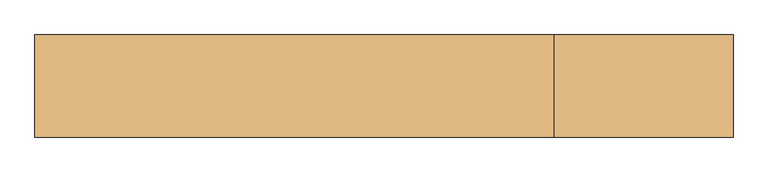
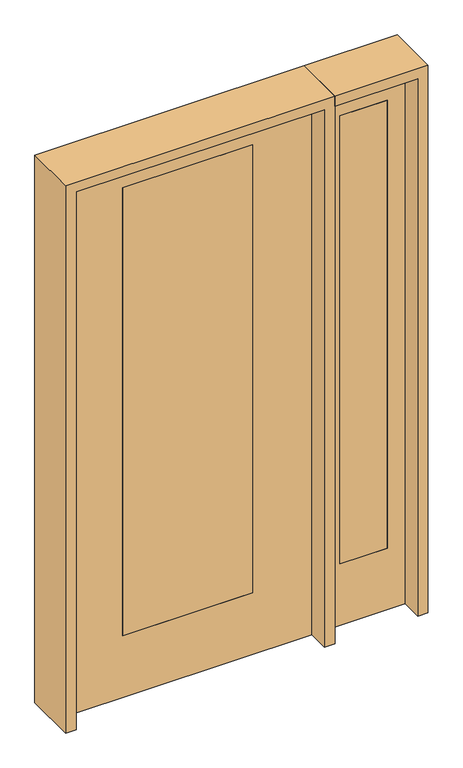
"""IFC4 building model written with IfcOpenShell, lengths in millimetres: door geometry."""

from ifc_helpers import new_model, si_unit, frame, origin, place, context, project, spatial, polyline, outline, extrude, source, transform, mapped, element, save


def door_c95416c6(model_context):
    return source(origin(), model_context, "Body", "SweptSolid", [
        extrude(outline(polyline([(654.05, -20.6375), (654.05, 20.6375), (857.25, 20.6375), (857.25, -20.6375), (654.05, -20.6375)])), frame((0.0, 0.0, 279.4), z_axis=(0.0, 0.0, 1.0), x_axis=(1.0, 0.0, 0.0)), (0.0, 0.0, 1.0), 2032.0),
        extrude(outline(polyline([(0.0, 933.45), (2438.4, 933.45), (2438.4, 577.85), (0.0, 577.85), (0.0, 933.45)]), holes=[polyline([(2311.4, 654.05), (2311.4, 857.25), (279.4, 857.25), (279.4, 654.05), (2311.4, 654.05)])]), frame((0.0, -20.6375, 0.0), z_axis=(0.0, 1.0, 0.0), x_axis=(0.0, 0.0, 1.0)), (0.0, 0.0, 1.0), 41.275),
        extrude(outline(polyline([(2438.4, 533.4), (2438.4, -533.4), (0.0, -533.4), (0.0, 533.4), (2438.4, 533.4)]), holes=[polyline([(279.4, 279.4), (279.4, -279.4), (2311.4, -279.4), (2311.4, 279.4), (279.4, 279.4)])]), frame((0.0, -20.6375, 0.0), z_axis=(0.0, 1.0, 0.0), x_axis=(0.0, 0.0, 1.0)), (0.0, 0.0, 1.0), 41.275),
        extrude(outline(polyline([(279.4, -20.6375), (-279.4, -20.6375), (-279.4, 20.6375), (279.4, 20.6375), (279.4, -20.6375)])), frame((0.0, 0.0, 279.4), z_axis=(0.0, 0.0, 1.0), x_axis=(1.0, 0.0, 0.0)), (0.0, 0.0, 1.0), 2032.0),
        extrude(outline(polyline([(2482.85, -577.85), (0.0, -577.85), (0.0, -533.4), (2438.4, -533.4), (2438.4, 533.4), (0.0, 533.4), (0.0, 577.85), (2482.85, 577.85), (2482.85, -577.85)])), frame((0.0, -114.3, 0.0), z_axis=(0.0, 1.0, 0.0), x_axis=(0.0, 0.0, 1.0)), (0.0, 0.0, 1.0), 228.6),
        extrude(outline(polyline([(0.0, 933.45), (0.0, 977.9), (2482.85, 977.9), (2482.85, 577.85), (2438.4, 577.85), (2438.4, 933.45), (0.0, 933.45)])), frame((0.0, -114.3, 0.0), z_axis=(0.0, 1.0, 0.0), x_axis=(0.0, 0.0, 1.0)), (0.0, 0.0, 1.0), 228.6),
    ])


if __name__ == "__main__":
    model = new_model("IFC4")
    model_context = context("Model", 3, world=origin())
    ifc_project = project(units=[si_unit("LENGTHUNIT", "METRE", prefix="MILLI")], contexts=[model_context])
    site = spatial("IfcSite", under=ifc_project)
    building = spatial("IfcBuilding", under=site)
    placement = place(None, origin())
    door_shape = door_c95416c6(model_context)
    element("IfcDoor", 1, at=placement, inside=building, context=model_context, shape_type="MappedRepresentation", body=[
        mapped(door_shape, transform((0.0, 0.0, 0.0), x_axis=(1.0, 0.0, 0.0), y_axis=(0.0, 1.0, 0.0), z_axis=(0.0, 0.0, 1.0))),
    ])
    save(model, "model.ifc")
